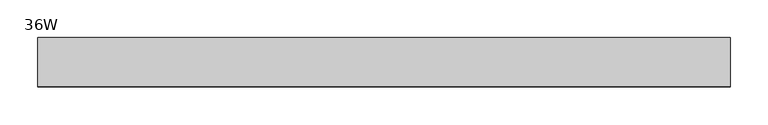
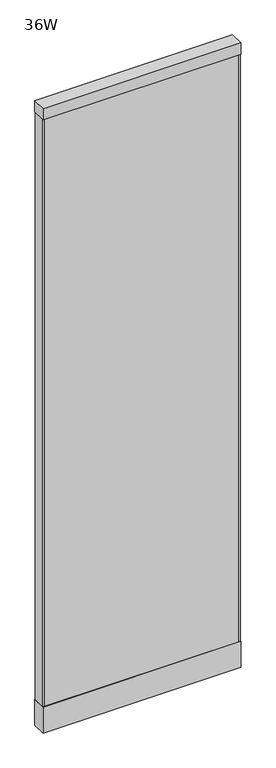
"""IFC4 building model written with IfcOpenShell, lengths in millimetres: plate geometry, 36W."""

from ifc_helpers import new_model, si_unit, frame, origin, origin_with_axes, place, context, project, spatial, polyline, outline, extrude, source, transform, mapped, element, save


def plate_36w_07049a21(model_context):
    return source(origin(), model_context, "Body", "SweptSolid", [
        extrude(outline(polyline([(457.2, -32.4103999), (-457.2, -32.4103999), (-457.2, 32.4104002), (457.2, 32.4104002), (457.2, -32.4103999)])), frame((0.0, 0.0, 2993.39), z_axis=(0.0, 0.0, 1.0), x_axis=(1.0, 0.0, 0.0)), (0.0, 0.0, 1.0), 54.61),
        extrude(outline(polyline([(450.088, 0.0), (-450.088, 0.0), (-450.088, 30.3783976), (450.088, 30.3783976), (450.088, 0.0)])), frame((0.0, 0.0, 127.0000061), z_axis=(0.0, 0.0, 1.0), x_axis=(1.0, 0.0, 0.0)), (0.0, 0.0, 1.0), 2866.3899939),
        extrude(outline(polyline([(457.2, -30.3783976), (450.088, -30.3783976), (450.088, 30.3783976), (457.2, 30.3783976), (457.2, -30.3783976)])), frame((0.0, 0.0, 127.0000061), z_axis=(0.0, 0.0, 1.0), x_axis=(1.0, 0.0, 0.0)), (0.0, 0.0, 1.0), 2866.3899939),
        extrude(outline(polyline([(-450.088, -30.3783976), (-457.2, -30.3783976), (-457.2, 30.3783976), (-450.088, 30.3783976), (-450.088, -30.3783976)])), frame((0.0, 0.0, 127.0000061), z_axis=(0.0, 0.0, 1.0), x_axis=(1.0, 0.0, 0.0)), (0.0, 0.0, 1.0), 2866.3899939),
        extrude(outline(polyline([(450.088, -30.3783976), (-450.088, -30.3783976), (-450.088, 0.0), (450.088, 0.0), (450.088, -30.3783976)])), frame((0.0, 0.0, 127.0000061), z_axis=(0.0, 0.0, 1.0), x_axis=(1.0, 0.0, 0.0)), (0.0, 0.0, 1.0), 2866.3899939),
        extrude(outline(polyline([(457.2, -32.4103999), (-457.2, -32.4103999), (-457.2, 32.4104002), (457.2, 32.4104002), (457.2, -32.4103999)])), origin_with_axes(), (0.0, 0.0, 1.0), 127.0000061),
    ])


if __name__ == "__main__":
    model = new_model("IFC4")
    model_context = context("Model", 3, world=origin())
    ifc_project = project(units=[si_unit("LENGTHUNIT", "METRE", prefix="MILLI")], contexts=[model_context])
    site = spatial("IfcSite", under=ifc_project)
    building = spatial("IfcBuilding", under=site)
    placement = place(None, origin())
    plate_36w_shape = plate_36w_07049a21(model_context)
    element("IfcPlate", 1, ObjectType="36W", at=placement, inside=building, context=model_context, shape_type="MappedRepresentation", body=[
        mapped(plate_36w_shape, transform((0.0, 0.0, 0.0), x_axis=(1.0, 0.0, 0.0), y_axis=(0.0, 1.0, 0.0), z_axis=(0.0, 0.0, 1.0))),
    ])
    save(model, "model.ifc")
